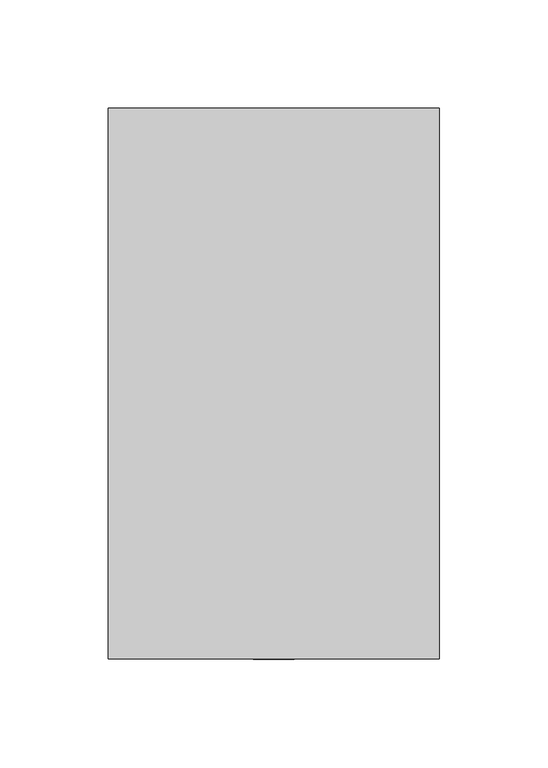
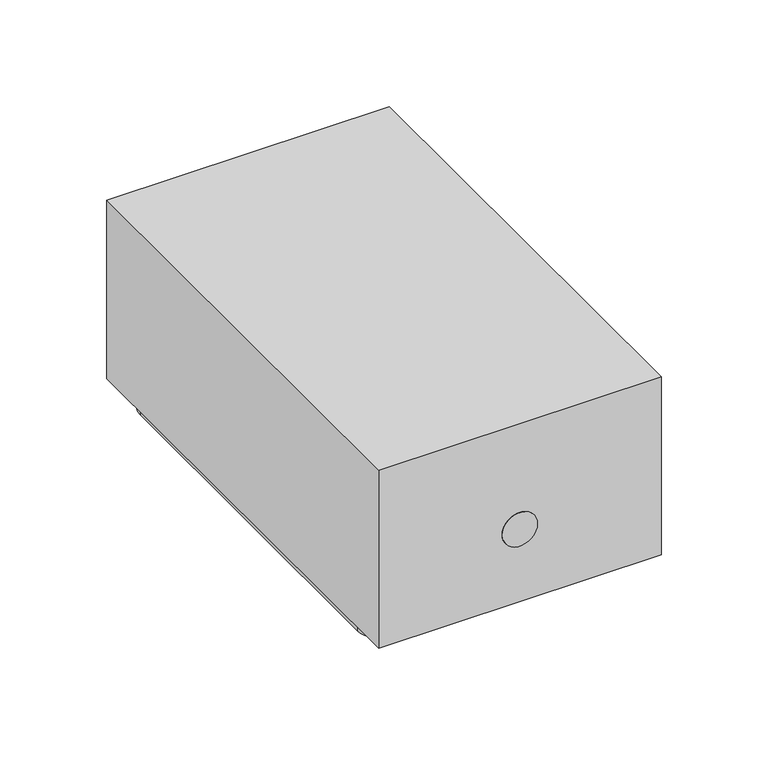
"""IFC4 building model written with IfcOpenShell, lengths in millimetres: proxy geometry."""

from ifc_helpers import new_model, si_unit, point, frame, frame_2d, origin, origin_with_axes, place, context, project, spatial, polyline, circle_curve, ellipse_curve, trimmed, segment, composite_curve, outline, extrude, source, transform, mapped, element, save
from ifc_brep_helpers import plane_surface, cylinder_surface, revolved_surface, advanced_brep


def specialty_equipment_9082fe20(model_context):
    return source(origin(), model_context, "Body", "SolidModel", [
        advanced_brep(
        [(-73.025, -101.6, 0.0), (-73.025, -44.45, 0.0), (-71.4375, -44.45, 0.0), (-71.4375, -101.6, 0.0), (-60.325, -112.7125, 0.0), (-60.325, -114.3, 0.0), (-73.025, -101.6, 50.8), (-73.025, -44.45, 50.8), (-53.975, -44.45, 69.85), (53.975, -44.45, 69.85), (73.025, -44.45, 50.8), (73.025, -44.45, 0.0), (71.4375, -44.45, 0.0), (71.4375, -44.45, 50.8), (53.975, -44.45, 68.2625), (-53.975, -44.45, 68.2625), (-71.4375, -44.45, 50.8), (-71.4375, -101.6, 50.8), (-60.325, -112.7125, 50.8), (-60.325, -114.3, 50.8), (-53.975, -101.6, 69.85), (-53.975, -101.6, 68.2625), (-53.975, -112.7125, 57.15), (-53.975, -114.3, 57.15), (53.975, -101.6, 69.85), (53.975, -101.6, 68.2625), (53.975, -112.7125, 57.15), (53.975, -114.3, 57.15), (73.025, -101.6, 50.8), (71.4375, -101.6, 50.8), (60.325, -112.7125, 50.8), (60.325, -114.3, 50.8), (73.025, -101.6, 0.0), (60.325, -114.3, 0.0), (60.325, -112.7125, 0.0), (71.4375, -101.6, 0.0)],
        [
            (0, 1),
            (1, 2),
            (2, 3),
            (3, 4, circle_curve(frame((-60.325, -101.6, 0.0), z_axis=(0.0, 0.0, 1.0), x_axis=(1.0, 0.0, 0.0)), 11.1125)),
            (4, 5),
            (5, 0, circle_curve(frame((-60.325, -101.6, 0.0), z_axis=(0.0, 0.0, -1.0), x_axis=(1.0, 0.0, 0.0)), 12.7)),
            (0, 6),
            (6, 7),
            (7, 1),
            (7, 8, circle_curve(frame((-53.975, -44.45, 50.8), z_axis=(0.0, 1.0, 0.0), x_axis=(-1.0, 0.0, 0.0)), 19.05)),
            (8, 9),
            (9, 10, circle_curve(frame((53.975, -44.45, 50.8), z_axis=(0.0, 1.0, 0.0), x_axis=(0.0, 0.0, 1.0)), 19.05)),
            (10, 11),
            (11, 12),
            (12, 13),
            (13, 14, circle_curve(frame((53.975, -44.45, 50.8), z_axis=(0.0, -1.0, 0.0), x_axis=(0.0, 0.0, 1.0)), 17.4625)),
            (14, 15),
            (15, 16, circle_curve(frame((-53.975, -44.45, 50.8), z_axis=(0.0, -1.0, 0.0), x_axis=(-1.0, 0.0, 0.0)), 17.4625)),
            (16, 2),
            (16, 17),
            (17, 3),
            (17, 18, circle_curve(frame((-60.325, -101.6, 50.8), z_axis=(0.0, 0.0, 1.0), x_axis=(1.0, 0.0, 0.0)), 11.1125)),
            (18, 4),
            (18, 19),
            (19, 5),
            (19, 6, circle_curve(frame((-60.325, -101.6, 50.8), z_axis=(0.0, 0.0, -1.0), x_axis=(1.0, 0.0, 0.0)), 12.7)),
            (6, 20, circle_curve(frame((-53.975, -101.6, 50.8), z_axis=(0.0, 1.0, 0.0), x_axis=(-1.0, 0.0, 0.0)), 19.05)),
            (20, 8),
            (21, 17, circle_curve(frame((-53.975, -101.6, 50.8), z_axis=(0.0, -1.0, 0.0), x_axis=(-1.0, 0.0, 0.0)), 17.4625)),
            (15, 21),
            (22, 18, circle_curve(frame((-53.975, -112.7125, 50.8), z_axis=(0.0, -1.0, 0.0), x_axis=(-1.0, 0.0, 0.0)), 6.35)),
            (21, 22, circle_curve(frame((-53.975, -101.6, 57.15), z_axis=(1.0, 0.0, 0.0), x_axis=(0.0, 0.0, -1.0)), 11.1125)),
            (23, 19, circle_curve(frame((-53.975, -114.3, 50.8), z_axis=(0.0, -1.0, 0.0), x_axis=(-1.0, 0.0, 0.0)), 6.35)),
            (22, 23),
            (23, 20, circle_curve(frame((-53.975, -101.6, 57.15), z_axis=(-1.0, 0.0, 0.0), x_axis=(0.0, 0.0, -1.0)), 12.7)),
            (20, 24),
            (24, 9),
            (14, 25),
            (25, 21),
            (25, 26, circle_curve(frame((53.975, -101.6, 57.15), z_axis=(1.0, 0.0, 0.0), x_axis=(0.0, 0.0, -1.0)), 11.1125)),
            (26, 22),
            (26, 27),
            (27, 23),
            (27, 24, circle_curve(frame((53.975, -101.6, 57.15), z_axis=(-1.0, 0.0, 0.0), x_axis=(0.0, 0.0, -1.0)), 12.7)),
            (24, 28, circle_curve(frame((53.975, -101.6, 50.8), z_axis=(0.0, 1.0, 0.0), x_axis=(0.0, 0.0, 1.0)), 19.05)),
            (28, 10),
            (29, 25, circle_curve(frame((53.975, -101.6, 50.8), z_axis=(0.0, -1.0, 0.0), x_axis=(0.0, 0.0, 1.0)), 17.4625)),
            (13, 29),
            (30, 26, circle_curve(frame((53.975, -112.7125, 50.8), z_axis=(0.0, -1.0, 0.0), x_axis=(0.0, 0.0, 1.0)), 6.35)),
            (29, 30, circle_curve(frame((60.325, -101.6, 50.8), z_axis=(0.0, 0.0, -1.0), x_axis=(-1.0, 0.0, 0.0)), 11.1125)),
            (31, 27, circle_curve(frame((53.975, -114.3, 50.8), z_axis=(0.0, -1.0, 0.0), x_axis=(0.0, 0.0, 1.0)), 6.35)),
            (30, 31),
            (31, 28, circle_curve(frame((60.325, -101.6, 50.8), z_axis=(0.0, 0.0, 1.0), x_axis=(-1.0, 0.0, 0.0)), 12.7)),
            (32, 33, circle_curve(frame((60.325, -101.6, 0.0), z_axis=(0.0, 0.0, -1.0), x_axis=(-1.0, 0.0, 0.0)), 12.7)),
            (33, 34),
            (34, 35, circle_curve(frame((60.325, -101.6, 0.0), z_axis=(0.0, 0.0, 1.0), x_axis=(-1.0, 0.0, 0.0)), 11.1125)),
            (35, 12),
            (11, 32),
            (28, 32),
            (35, 29),
            (34, 30),
            (33, 31),
        ],
        [
            plane_surface(frame((-73.025, -114.3, 0.0), z_axis=(0.0, 0.0, -1.0), x_axis=(0.0, 1.0, 0.0))),
            plane_surface(frame((-73.025, -101.6, 0.0), z_axis=(-1.0, 0.0, 0.0), x_axis=(0.0, 0.0, 1.0))),
            plane_surface(frame((-73.025, -44.45, 0.0), z_axis=(0.0, 1.0, 0.0), x_axis=(0.0, 0.0, 1.0))),
            plane_surface(frame((-71.4375, -44.45, 0.0), z_axis=(1.0, 0.0, 0.0), x_axis=(0.0, 0.0, 1.0))),
            revolved_surface(polyline([(-49.212500000000006, -101.6, 50.8), (-49.212500000000006, -101.6, 0.0)]), (-60.325, -101.6, 0.0), (0.0, 0.0, 1.0)),
            plane_surface(frame((-60.325, -112.7125, 0.0), z_axis=(1.0, 0.0, 0.0), x_axis=(0.0, 0.0, 1.0))),
            cylinder_surface(frame((-60.325, -101.6, 0.0), z_axis=(0.0, 0.0, -1.0), x_axis=(1.0, 0.0, 0.0)), 12.7),
            cylinder_surface(frame((-53.975, -114.3, 50.8), z_axis=(0.0, 1.0, 0.0), x_axis=(-1.0, 0.0, 0.0)), 19.05),
            revolved_surface(polyline([(-71.4375, -44.45, 50.8), (-71.4375, -101.6, 50.8)]), (-53.975, -114.3, 50.8), (0.0, 1.0, 0.0)),
            revolved_surface(trimmed(ellipse_curve(frame((-60.325, -101.6, 50.8), z_axis=(0.0, 0.0, 1.0), x_axis=(1.0, 0.0, 0.0)), 11.1125, 11.1125), [point((-71.4375, -101.6, 50.8))], [point((-60.325, -112.7125, 50.8))], True, "CARTESIAN"), (-53.975, -114.3, 50.8), (0.0, 1.0, 0.0)),
            revolved_surface(polyline([(-60.325, -112.7125, 50.8), (-60.325, -114.3, 50.8)]), (-53.975, -114.3, 50.8), (0.0, 1.0, 0.0)),
            revolved_surface(trimmed(ellipse_curve(frame((-60.325, -101.6, 50.8), z_axis=(0.0, 0.0, -1.0), x_axis=(1.0, 0.0, 0.0)), 12.7, 12.7), [point((-60.325, -114.3, 50.8))], [point((-73.025, -101.6, 50.8))], True, "CARTESIAN"), (-53.975, -114.3, 50.8), (0.0, 1.0, 0.0)),
            plane_surface(frame((-53.975, -101.6, 69.85), z_axis=(0.0, 0.0, 1.0), x_axis=(1.0, 0.0, 0.0))),
            plane_surface(frame((-53.975, -44.45, 68.2625), z_axis=(0.0, 0.0, -1.0), x_axis=(1.0, 0.0, 0.0))),
            revolved_surface(polyline([(53.975, -101.6, 46.037499999999994), (-53.975, -101.6, 46.037499999999994)]), (-53.975, -101.6, 57.15), (1.0, 0.0, 0.0)),
            plane_surface(frame((-53.975, -112.7125, 57.15), z_axis=(0.0, 0.0, -1.0), x_axis=(1.0, 0.0, 0.0))),
            cylinder_surface(frame((-53.975, -101.6, 57.15), z_axis=(-1.0, 0.0, 0.0), x_axis=(0.0, 0.0, -1.0)), 12.7),
            cylinder_surface(frame((53.975, -114.3, 50.8), z_axis=(0.0, 1.0, 0.0), x_axis=(0.0, 0.0, 1.0)), 19.05),
            revolved_surface(polyline([(53.975, -44.45, 68.26249999999999), (53.975, -101.6, 68.26249999999999)]), (53.975, -114.3, 50.8), (0.0, 1.0, 0.0)),
            revolved_surface(trimmed(ellipse_curve(frame((53.975, -101.6, 57.15), z_axis=(1.0, 0.0, 0.0), x_axis=(0.0, 0.0, -1.0)), 11.1125, 11.1125), [point((53.975, -101.6, 68.2625))], [point((53.975, -112.7125, 57.15))], True, "CARTESIAN"), (53.975, -114.3, 50.8), (0.0, 1.0, 0.0)),
            revolved_surface(polyline([(53.975, -112.7125, 57.15), (53.975, -114.3, 57.15)]), (53.975, -114.3, 50.8), (0.0, 1.0, 0.0)),
            revolved_surface(trimmed(ellipse_curve(frame((53.975, -101.6, 57.15), z_axis=(-1.0, 0.0, 0.0), x_axis=(0.0, 0.0, -1.0)), 12.7, 12.7), [point((53.975, -114.3, 57.15))], [point((53.975, -101.6, 69.85))], True, "CARTESIAN"), (53.975, -114.3, 50.8), (0.0, 1.0, 0.0)),
            plane_surface(frame((73.025, -114.3, 0.0), z_axis=(0.0, 0.0, -1.0), x_axis=(0.0, 1.0, 0.0))),
            plane_surface(frame((73.025, -101.6, 50.8), z_axis=(1.0, 0.0, 0.0), x_axis=(0.0, 0.0, -1.0))),
            plane_surface(frame((71.4375, -44.45, 50.8), z_axis=(-1.0, 0.0, 0.0), x_axis=(0.0, 0.0, -1.0))),
            revolved_surface(polyline([(49.212500000000006, -101.6, 0.0), (49.212500000000006, -101.6, 50.8)]), (60.325, -101.6, 50.8), (0.0, 0.0, -1.0)),
            plane_surface(frame((60.325, -112.7125, 50.8), z_axis=(-1.0, 0.0, 0.0), x_axis=(0.0, 0.0, -1.0))),
            cylinder_surface(frame((60.325, -101.6, 50.8), z_axis=(0.0, 0.0, 1.0), x_axis=(-1.0, 0.0, 0.0)), 12.7),
        ],
        [
            (0, [[1, 2, 3, 4, 5, 6]]),
            (1, [[-1, 7, 8, 9]]),
            (2, [[-2, -9, 10, 11, 12, 13, 14, 15, 16, 17, 18, 19]]),
            (3, [[-3, -19, 20, 21]]),
            (4, [[-4, -21, 22, 23]]),
            (5, [[-5, -23, 24, 25]]),
            (6, [[-6, -25, 26, -7]]),
            (7, [[-10, -8, 27, 28]]),
            (8, [[29, -20, -18, 30]]),
            (9, [[31, -22, -29, 32]]),
            (10, [[33, -24, -31, 34]]),
            (11, [[-27, -26, -33, 35]]),
            (12, [[-28, 36, 37, -11]]),
            (13, [[-30, -17, 38, 39]]),
            (14, [[-32, -39, 40, 41]]),
            (15, [[-34, -41, 42, 43]]),
            (16, [[-35, -43, 44, -36]]),
            (17, [[-12, -37, 45, 46]]),
            (18, [[47, -38, -16, 48]]),
            (19, [[49, -40, -47, 50]]),
            (20, [[51, -42, -49, 52]]),
            (21, [[-45, -44, -51, 53]]),
            (22, [[54, 55, 56, 57, -14, 58]]),
            (23, [[-46, 59, -58, -13]]),
            (24, [[-48, -15, -57, 60]]),
            (25, [[-50, -60, -56, 61]]),
            (26, [[-52, -61, -55, 62]]),
            (27, [[-53, -62, -54, -59]]),
        ],
    ),
        advanced_brep(
        [(-73.025, 101.6, 0.0), (-60.325, 114.3, 0.0), (-60.325, 112.7125, 0.0), (-71.4375, 101.6, 0.0), (-71.4375, 95.25, 0.0), (-73.025, 95.25, 0.0), (-73.025, 101.6, 50.8), (-60.325, 114.3, 50.8), (-60.325, 112.7125, 50.8), (-71.4375, 101.6, 50.8), (-71.4375, 95.25, 50.8), (-53.975, 95.25, 68.2625), (53.975, 95.25, 68.2625), (71.4375, 95.25, 50.8), (71.4375, 95.25, 0.0), (73.025, 95.25, 0.0), (73.025, 95.25, 50.8), (53.975, 95.25, 69.85), (-53.975, 95.25, 69.85), (-73.025, 95.25, 50.8), (-53.975, 114.3, 57.15), (-53.975, 101.6, 69.85), (-53.975, 112.7125, 57.15), (-53.975, 101.6, 68.2625), (53.975, 101.6, 69.85), (53.975, 114.3, 57.15), (53.975, 112.7125, 57.15), (53.975, 101.6, 68.2625), (60.325, 114.3, 50.8), (73.025, 101.6, 50.8), (60.325, 112.7125, 50.8), (71.4375, 101.6, 50.8), (73.025, 101.6, 0.0), (71.4375, 101.6, 0.0), (60.325, 112.7125, 0.0), (60.325, 114.3, 0.0)],
        [
            (0, 1, circle_curve(frame((-60.325, 101.6, 0.0), z_axis=(0.0, 0.0, -1.0), x_axis=(1.0, 0.0, 0.0)), 12.7)),
            (1, 2),
            (2, 3, circle_curve(frame((-60.325, 101.6, 0.0), z_axis=(0.0, 0.0, 1.0), x_axis=(1.0, 0.0, 0.0)), 11.1125)),
            (3, 4),
            (4, 5),
            (5, 0),
            (0, 6),
            (6, 7, circle_curve(frame((-60.325, 101.6, 50.8), z_axis=(0.0, 0.0, -1.0), x_axis=(1.0, 0.0, 0.0)), 12.7)),
            (7, 1),
            (7, 8),
            (8, 2),
            (8, 9, circle_curve(frame((-60.325, 101.6, 50.8), z_axis=(0.0, 0.0, 1.0), x_axis=(1.0, 0.0, 0.0)), 11.1125)),
            (9, 3),
            (9, 10),
            (10, 4),
            (10, 11, circle_curve(frame((-53.975, 95.25, 50.8), z_axis=(0.0, 1.0, 0.0), x_axis=(-1.0, 0.0, 0.0)), 17.4625)),
            (11, 12),
            (12, 13, circle_curve(frame((53.975, 95.25, 50.8), z_axis=(0.0, 1.0, 0.0), x_axis=(0.0, 0.0, 1.0)), 17.4625)),
            (13, 14),
            (14, 15),
            (15, 16),
            (16, 17, circle_curve(frame((53.975, 95.25, 50.8), z_axis=(0.0, -1.0, 0.0), x_axis=(0.0, 0.0, 1.0)), 19.05)),
            (17, 18),
            (18, 19, circle_curve(frame((-53.975, 95.25, 50.8), z_axis=(0.0, -1.0, 0.0), x_axis=(-1.0, 0.0, 0.0)), 19.05)),
            (19, 5),
            (19, 6),
            (20, 7, circle_curve(frame((-53.975, 114.3, 50.8), z_axis=(0.0, -1.0, 0.0), x_axis=(-1.0, 0.0, 0.0)), 6.35)),
            (6, 21, circle_curve(frame((-53.975, 101.6, 50.8), z_axis=(0.0, 1.0, 0.0), x_axis=(-1.0, 0.0, 0.0)), 19.05)),
            (21, 20, circle_curve(frame((-53.975, 101.6, 57.15), z_axis=(-1.0, 0.0, 0.0), x_axis=(0.0, 0.0, -1.0)), 12.7)),
            (22, 8, circle_curve(frame((-53.975, 112.7125, 50.8), z_axis=(0.0, -1.0, 0.0), x_axis=(-1.0, 0.0, 0.0)), 6.35)),
            (20, 22),
            (23, 9, circle_curve(frame((-53.975, 101.6, 50.8), z_axis=(0.0, -1.0, 0.0), x_axis=(-1.0, 0.0, 0.0)), 17.4625)),
            (22, 23, circle_curve(frame((-53.975, 101.6, 57.15), z_axis=(1.0, 0.0, 0.0), x_axis=(0.0, 0.0, -1.0)), 11.1125)),
            (23, 11),
            (18, 21),
            (21, 24),
            (24, 25, circle_curve(frame((53.975, 101.6, 57.15), z_axis=(-1.0, 0.0, 0.0), x_axis=(0.0, 0.0, -1.0)), 12.7)),
            (25, 20),
            (25, 26),
            (26, 22),
            (26, 27, circle_curve(frame((53.975, 101.6, 57.15), z_axis=(1.0, 0.0, 0.0), x_axis=(0.0, 0.0, -1.0)), 11.1125)),
            (27, 23),
            (27, 12),
            (17, 24),
            (28, 25, circle_curve(frame((53.975, 114.3, 50.8), z_axis=(0.0, -1.0, 0.0), x_axis=(0.0, 0.0, 1.0)), 6.35)),
            (24, 29, circle_curve(frame((53.975, 101.6, 50.8), z_axis=(0.0, 1.0, 0.0), x_axis=(0.0, 0.0, 1.0)), 19.05)),
            (29, 28, circle_curve(frame((60.325, 101.6, 50.8), z_axis=(0.0, 0.0, 1.0), x_axis=(-1.0, 0.0, 0.0)), 12.7)),
            (30, 26, circle_curve(frame((53.975, 112.7125, 50.8), z_axis=(0.0, -1.0, 0.0), x_axis=(0.0, 0.0, 1.0)), 6.35)),
            (28, 30),
            (31, 27, circle_curve(frame((53.975, 101.6, 50.8), z_axis=(0.0, -1.0, 0.0), x_axis=(0.0, 0.0, 1.0)), 17.4625)),
            (30, 31, circle_curve(frame((60.325, 101.6, 50.8), z_axis=(0.0, 0.0, -1.0), x_axis=(-1.0, 0.0, 0.0)), 11.1125)),
            (31, 13),
            (16, 29),
            (32, 15),
            (14, 33),
            (33, 34, circle_curve(frame((60.325, 101.6, 0.0), z_axis=(0.0, 0.0, 1.0), x_axis=(-1.0, 0.0, 0.0)), 11.1125)),
            (34, 35),
            (35, 32, circle_curve(frame((60.325, 101.6, 0.0), z_axis=(0.0, 0.0, -1.0), x_axis=(-1.0, 0.0, 0.0)), 12.7)),
            (29, 32),
            (35, 28),
            (34, 30),
            (33, 31),
        ],
        [
            plane_surface(frame((-73.025, 114.3, 0.0), z_axis=(0.0, 0.0, -1.0), x_axis=(0.0, 1.0, 0.0))),
            cylinder_surface(frame((-60.325, 101.6, 0.0), z_axis=(0.0, 0.0, -1.0), x_axis=(1.0, 0.0, 0.0)), 12.7),
            plane_surface(frame((-60.325, 114.3, 0.0), z_axis=(1.0, 0.0, 0.0), x_axis=(0.0, 0.0, 1.0))),
            revolved_surface(polyline([(-49.212500000000006, 101.6, 50.8), (-49.212500000000006, 101.6, 0.0)]), (-60.325, 101.6, 0.0), (0.0, 0.0, 1.0)),
            plane_surface(frame((-71.4375, 101.6, 0.0), z_axis=(1.0, 0.0, 0.0), x_axis=(0.0, 0.0, 1.0))),
            plane_surface(frame((-71.4375, 95.25, 0.0), z_axis=(0.0, -1.0, 0.0), x_axis=(0.0, 0.0, 1.0))),
            plane_surface(frame((-73.025, 95.25, 0.0), z_axis=(-1.0, 0.0, 0.0), x_axis=(0.0, 0.0, 1.0))),
            revolved_surface(trimmed(ellipse_curve(frame((-60.325, 101.6, 50.8), z_axis=(0.0, 0.0, -1.0), x_axis=(1.0, 0.0, 0.0)), 12.7, 12.7), [point((-73.025, 101.6, 50.8))], [point((-60.325, 114.3, 50.8))], True, "CARTESIAN"), (-53.975, 114.3, 50.8), (0.0, 1.0, 0.0)),
            revolved_surface(polyline([(-60.325, 114.3, 50.8), (-60.325, 112.7125, 50.8)]), (-53.975, 114.3, 50.8), (0.0, 1.0, 0.0)),
            revolved_surface(trimmed(ellipse_curve(frame((-60.325, 101.6, 50.8), z_axis=(0.0, 0.0, 1.0), x_axis=(1.0, 0.0, 0.0)), 11.1125, 11.1125), [point((-60.325, 112.7125, 50.8))], [point((-71.4375, 101.6, 50.8))], True, "CARTESIAN"), (-53.975, 114.3, 50.8), (0.0, 1.0, 0.0)),
            revolved_surface(polyline([(-71.4375, 101.6, 50.8), (-71.4375, 95.25, 50.8)]), (-53.975, 114.3, 50.8), (0.0, 1.0, 0.0)),
            cylinder_surface(frame((-53.975, 114.3, 50.8), z_axis=(0.0, 1.0, 0.0), x_axis=(-1.0, 0.0, 0.0)), 19.05),
            cylinder_surface(frame((-53.975, 101.6, 57.15), z_axis=(-1.0, 0.0, 0.0), x_axis=(0.0, 0.0, -1.0)), 12.7),
            plane_surface(frame((-53.975, 114.3, 57.15), z_axis=(0.0, 0.0, -1.0), x_axis=(1.0, 0.0, 0.0))),
            revolved_surface(polyline([(53.975, 101.6, 46.037499999999994), (-53.975, 101.6, 46.037499999999994)]), (-53.975, 101.6, 57.15), (1.0, 0.0, 0.0)),
            plane_surface(frame((-53.975, 101.6, 68.2625), z_axis=(0.0, 0.0, -1.0), x_axis=(1.0, 0.0, 0.0))),
            plane_surface(frame((-53.975, 95.25, 69.85), z_axis=(0.0, 0.0, 1.0), x_axis=(1.0, 0.0, 0.0))),
            revolved_surface(trimmed(ellipse_curve(frame((53.975, 101.6, 57.15), z_axis=(-1.0, 0.0, 0.0), x_axis=(0.0, 0.0, -1.0)), 12.7, 12.7), [point((53.975, 101.6, 69.85))], [point((53.975, 114.3, 57.15))], True, "CARTESIAN"), (53.975, 114.3, 50.8), (0.0, 1.0, 0.0)),
            revolved_surface(polyline([(53.975, 114.3, 57.15), (53.975, 112.7125, 57.15)]), (53.975, 114.3, 50.8), (0.0, 1.0, 0.0)),
            revolved_surface(trimmed(ellipse_curve(frame((53.975, 101.6, 57.15), z_axis=(1.0, 0.0, 0.0), x_axis=(0.0, 0.0, -1.0)), 11.1125, 11.1125), [point((53.975, 112.7125, 57.15))], [point((53.975, 101.6, 68.2625))], True, "CARTESIAN"), (53.975, 114.3, 50.8), (0.0, 1.0, 0.0)),
            revolved_surface(polyline([(53.975, 101.6, 68.26249999999999), (53.975, 95.25, 68.26249999999999)]), (53.975, 114.3, 50.8), (0.0, 1.0, 0.0)),
            cylinder_surface(frame((53.975, 114.3, 50.8), z_axis=(0.0, 1.0, 0.0), x_axis=(0.0, 0.0, 1.0)), 19.05),
            plane_surface(frame((73.025, 114.3, 0.0), z_axis=(0.0, 0.0, -1.0), x_axis=(0.0, 1.0, 0.0))),
            cylinder_surface(frame((60.325, 101.6, 50.8), z_axis=(0.0, 0.0, 1.0), x_axis=(-1.0, 0.0, 0.0)), 12.7),
            plane_surface(frame((60.325, 114.3, 50.8), z_axis=(-1.0, 0.0, 0.0), x_axis=(0.0, 0.0, -1.0))),
            revolved_surface(polyline([(49.212500000000006, 101.6, 0.0), (49.212500000000006, 101.6, 50.8)]), (60.325, 101.6, 50.8), (0.0, 0.0, -1.0)),
            plane_surface(frame((71.4375, 101.6, 50.8), z_axis=(-1.0, 0.0, 0.0), x_axis=(0.0, 0.0, -1.0))),
            plane_surface(frame((73.025, 95.25, 50.8), z_axis=(1.0, 0.0, 0.0), x_axis=(0.0, 0.0, -1.0))),
        ],
        [
            (0, [[1, 2, 3, 4, 5, 6]]),
            (1, [[-1, 7, 8, 9]]),
            (2, [[-2, -9, 10, 11]]),
            (3, [[-3, -11, 12, 13]]),
            (4, [[-4, -13, 14, 15]]),
            (5, [[-5, -15, 16, 17, 18, 19, 20, 21, 22, 23, 24, 25]]),
            (6, [[-6, -25, 26, -7]]),
            (7, [[27, -8, 28, 29]]),
            (8, [[30, -10, -27, 31]]),
            (9, [[32, -12, -30, 33]]),
            (10, [[-16, -14, -32, 34]]),
            (11, [[-28, -26, -24, 35]]),
            (12, [[-29, 36, 37, 38]]),
            (13, [[-31, -38, 39, 40]]),
            (14, [[-33, -40, 41, 42]]),
            (15, [[-34, -42, 43, -17]]),
            (16, [[-35, -23, 44, -36]]),
            (17, [[45, -37, 46, 47]]),
            (18, [[48, -39, -45, 49]]),
            (19, [[50, -41, -48, 51]]),
            (20, [[-18, -43, -50, 52]]),
            (21, [[-46, -44, -22, 53]]),
            (22, [[54, -20, 55, 56, 57, 58]]),
            (23, [[-47, 59, -58, 60]]),
            (24, [[-49, -60, -57, 61]]),
            (25, [[-51, -61, -56, 62]]),
            (26, [[-52, -62, -55, -19]]),
            (27, [[-53, -21, -54, -59]]),
        ],
    ),
        extrude(outline(composite_curve([segment(polyline([(50.8, -73.025), (0.0, -73.025), (0.0, -71.4375), (50.8, -71.4375)]), True, "CONTINUOUS"), segment(trimmed(circle_curve(frame_2d((50.8, -53.975)), 17.4625), [point((50.8, -71.4375))], [point((68.2625, -53.975))], True, "CARTESIAN"), True, "CONTINUOUS"), segment(polyline([(68.2625, -53.975), (68.2625, 53.975)]), True, "CONTINUOUS"), segment(trimmed(circle_curve(frame_2d((50.8, 53.975)), 17.4625), [point((68.2625, 53.975))], [point((50.8, 71.4375))], True, "CARTESIAN"), True, "CONTINUOUS"), segment(polyline([(50.8, 71.4375), (0.0, 71.4375), (0.0, 73.025), (50.8, 73.025)]), True, "CONTINUOUS"), segment(trimmed(circle_curve(frame_2d((50.8, 53.975)), 19.05), [point((50.8, 73.025))], [point((69.85, 53.975))], False, "CARTESIAN"), True, "CONTINUOUS"), segment(polyline([(69.85, 53.975), (69.85, -53.975)]), True, "CONTINUOUS"), segment(trimmed(circle_curve(frame_2d((50.8, -53.975)), 19.05), [point((69.85, -53.975))], [point((50.8, -73.025))], False, "CARTESIAN"), True, "CONTINUOUS")], self_intersect=False)), frame((0.0, -44.45, 0.0), z_axis=(0.0, 1.0, 0.0), x_axis=(0.0, 0.0, 1.0)), (0.0, 0.0, 1.0), 139.7),
        extrude(outline(composite_curve([segment(polyline([(68.2625, 53.975), (68.2625, -53.975)]), True, "CONTINUOUS"), segment(trimmed(circle_curve(frame_2d((50.8, -53.975)), 17.4625), [point((68.2625, -53.975))], [point((50.8, -71.4375))], False, "CARTESIAN"), True, "CONTINUOUS"), segment(polyline([(50.8, -71.4375), (0.0, -71.4375), (0.0, 71.4375), (50.8, 71.4375)]), True, "CONTINUOUS"), segment(trimmed(circle_curve(frame_2d((50.8, 53.975)), 17.4625), [point((50.8, 71.4375))], [point((68.2625, 53.975))], False, "CARTESIAN"), True, "CONTINUOUS")], self_intersect=False)), frame((0.0, -44.45, 0.0), z_axis=(0.0, 1.0, 0.0), x_axis=(0.0, 0.0, 1.0)), (0.0, 0.0, 1.0), 101.8530988),
        extrude(outline(composite_curve([segment(trimmed(circle_curve(frame_2d((41.275, 0.0)), 9.525), [point((41.275, -9.525))], [point((41.275, 9.525))], False, "CARTESIAN"), True, "CONTINUOUS"), segment(trimmed(circle_curve(frame_2d((41.275, 0.0)), 9.525), [point((41.275, 9.525))], [point((41.275, -9.525))], False, "CARTESIAN"), True, "CONTINUOUS")], self_intersect=False)), frame((0.0, -127.0, 0.0), z_axis=(0.0, 1.0, 0.0), x_axis=(0.0, 0.0, 1.0)), (0.0, 0.0, 1.0), 12.7),
        extrude(outline(composite_curve([segment(polyline([(-9.525, -76.2), (9.525, -76.2)]), True, "CONTINUOUS"), segment(trimmed(circle_curve(frame_2d((9.525, -85.725)), 9.525), [point((9.525, -76.2))], [point((9.525, -95.25))], False, "CARTESIAN"), True, "CONTINUOUS"), segment(polyline([(9.525, -95.25), (-9.525, -95.25)]), True, "CONTINUOUS"), segment(trimmed(circle_curve(frame_2d((-9.525, -85.725)), 9.525), [point((-9.525, -95.25))], [point((-9.525, -76.2))], False, "CARTESIAN"), True, "CONTINUOUS")], self_intersect=False)), frame((0.0, 0.0, 69.85), z_axis=(0.0, 0.0, 1.0), x_axis=(1.0, 0.0, 0.0)), (0.0, 0.0, 1.0), 12.7),
        extrude(outline(composite_curve([segment(polyline([(0.0, -60.325), (0.0, 60.325), (50.8, 60.325)]), True, "CONTINUOUS"), segment(trimmed(circle_curve(frame_2d((50.8, 53.975)), 6.35), [point((50.8, 60.325))], [point((57.15, 53.975))], False, "CARTESIAN"), True, "CONTINUOUS"), segment(polyline([(57.15, 53.975), (57.15, -53.975)]), True, "CONTINUOUS"), segment(trimmed(circle_curve(frame_2d((50.8, -53.975)), 6.35), [point((57.15, -53.975))], [point((50.8, -60.325))], False, "CARTESIAN"), True, "CONTINUOUS"), segment(polyline([(50.8, -60.325), (0.0, -60.325)]), True, "CONTINUOUS")], self_intersect=False)), frame((0.0, -114.3, 0.0), z_axis=(0.0, 1.0, 0.0), x_axis=(0.0, 0.0, 1.0)), (0.0, 0.0, 1.0), 1.5875),
        extrude(outline(composite_curve([segment(polyline([(-60.325, 114.3), (60.325, 114.3)]), True, "CONTINUOUS"), segment(trimmed(circle_curve(frame_2d((60.325, 101.6)), 12.7), [point((60.325, 114.3))], [point((73.025, 101.6))], False, "CARTESIAN"), True, "CONTINUOUS"), segment(polyline([(73.025, 101.6), (73.025, -101.6)]), True, "CONTINUOUS"), segment(trimmed(circle_curve(frame_2d((60.325, -101.6)), 12.7), [point((73.025, -101.6))], [point((60.325, -114.3))], False, "CARTESIAN"), True, "CONTINUOUS"), segment(polyline([(60.325, -114.3), (-60.325, -114.3)]), True, "CONTINUOUS"), segment(trimmed(circle_curve(frame_2d((-60.325, -101.6)), 12.7), [point((-60.325, -114.3))], [point((-73.025, -101.6))], False, "CARTESIAN"), True, "CONTINUOUS"), segment(polyline([(-73.025, -101.6), (-73.025, 101.6)]), True, "CONTINUOUS"), segment(trimmed(circle_curve(frame_2d((-60.325, 101.6)), 12.7), [point((-73.025, 101.6))], [point((-60.325, 114.3))], False, "CARTESIAN"), True, "CONTINUOUS")], self_intersect=False)), frame((0.0, 0.0, -6.35), z_axis=(0.0, 0.0, 1.0), x_axis=(1.0, 0.0, 0.0)), (0.0, 0.0, 1.0), 6.35),
        extrude(outline(polyline([(76.2, 127.0), (76.2, -127.0), (-76.2, -127.0), (-76.2, 127.0), (76.2, 127.0)])), origin_with_axes(), (0.0, 0.0, 1.0), 101.6),
        extrude(outline(composite_curve([segment(polyline([(0.0, -60.325), (0.0, 60.325), (50.8, 60.325)]), True, "CONTINUOUS"), segment(trimmed(circle_curve(frame_2d((50.8, 53.975)), 6.35), [point((50.8, 60.325))], [point((57.15, 53.975))], False, "CARTESIAN"), True, "CONTINUOUS"), segment(polyline([(57.15, 53.975), (57.15, -53.975)]), True, "CONTINUOUS"), segment(trimmed(circle_curve(frame_2d((50.8, -53.975)), 6.35), [point((57.15, -53.975))], [point((50.8, -60.325))], False, "CARTESIAN"), True, "CONTINUOUS"), segment(polyline([(50.8, -60.325), (0.0, -60.325)]), True, "CONTINUOUS")], self_intersect=False)), frame((0.0, 112.7125, 0.0), z_axis=(0.0, 1.0, 0.0), x_axis=(0.0, 0.0, 1.0)), (0.0, 0.0, 1.0), 1.5875),
    ])


if __name__ == "__main__":
    model = new_model("IFC4")
    model_context = context("Model", 3, world=origin())
    ifc_project = project(units=[si_unit("LENGTHUNIT", "METRE", prefix="MILLI")], contexts=[model_context])
    site = spatial("IfcSite", under=ifc_project)
    building = spatial("IfcBuilding", under=site)
    placement = place(None, origin())
    specialty_equipment_shape = specialty_equipment_9082fe20(model_context)
    element("IfcBuildingElementProxy", 1, Name="Specialty Equipment", at=placement, inside=building, context=model_context, shape_type="MappedRepresentation", body=[
        mapped(specialty_equipment_shape, transform((0.0, 0.0, 0.0), x_axis=(1.0, 0.0, 0.0), y_axis=(0.0, 1.0, 0.0), z_axis=(0.0, 0.0, 1.0))),
    ])
    save(model, "model.ifc")
